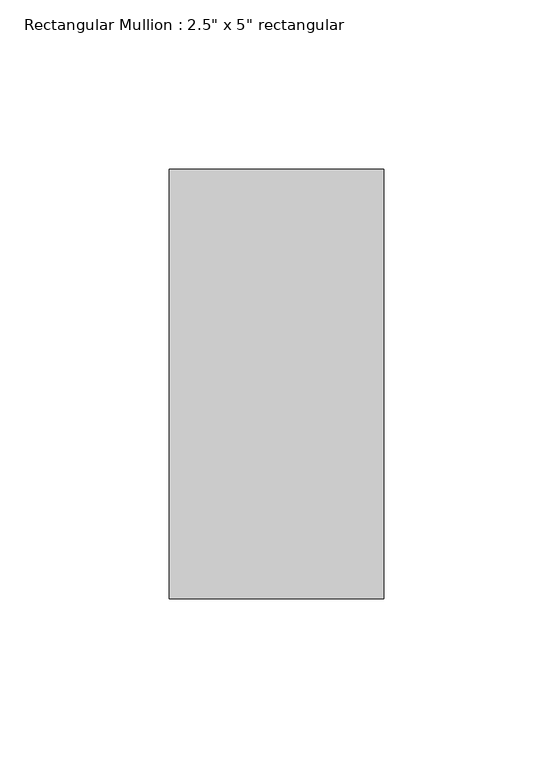
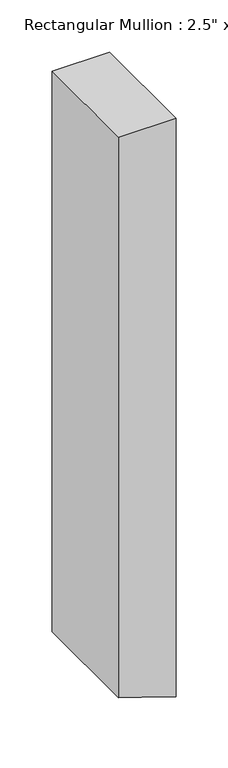
"""IFC4 building model written with IfcOpenShell, lengths in millimetres: member geometry."""

from ifc_helpers import new_model, si_unit, frame, origin, place, context, project, spatial, polyline, outline, extrude, source, transform, mapped, element, save


def member_bba49032(model_context):
    return source(origin(), model_context, "Body", "SweptSolid", [
        extrude(outline(polyline([(0.0, 31.75), (0.0, -31.75), (-654.8494423, -31.75), (-671.7448113, 19.7828002), (-675.6683367, 31.75), (0.0, 31.75)])), frame((0.0, -63.5, 0.0), z_axis=(0.0, 1.0, 0.0), x_axis=(0.0, 0.0, 1.0)), (0.0, 0.0, 1.0), 127.0),
    ])


if __name__ == "__main__":
    model = new_model("IFC4")
    model_context = context("Model", 3, world=origin())
    ifc_project = project(units=[si_unit("LENGTHUNIT", "METRE", prefix="MILLI")], contexts=[model_context])
    site = spatial("IfcSite", under=ifc_project)
    building = spatial("IfcBuilding", under=site)
    placement = place(None, origin())
    member_shape = member_bba49032(model_context)
    element("IfcMember", 1, ObjectType="Rectangular Mullion : 2.5\" x 5\" rectangular", at=placement, inside=building, context=model_context, shape_type="MappedRepresentation", body=[
        mapped(member_shape, transform((0.0, 0.0, 0.0), x_axis=(1.0, 0.0, 0.0), y_axis=(0.0, 1.0, 0.0), z_axis=(0.0, 0.0, 1.0))),
    ])
    save(model, "model.ifc")
